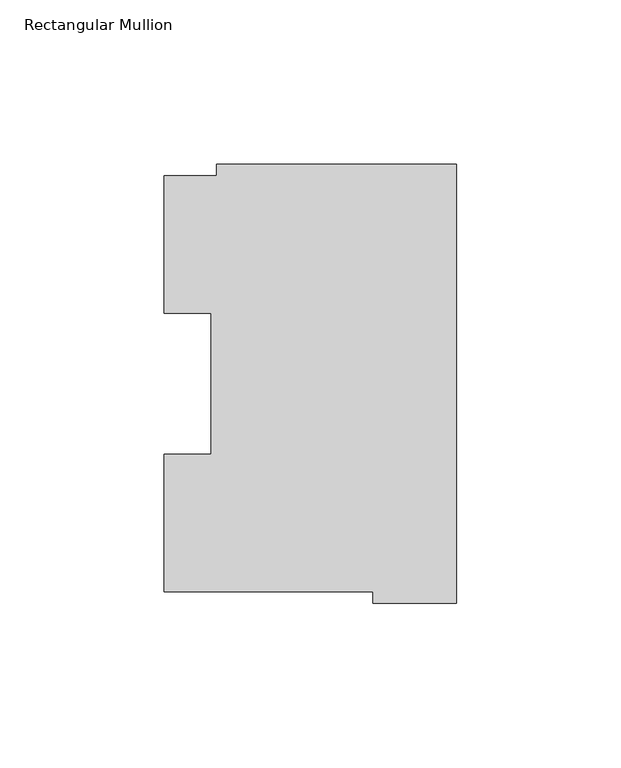
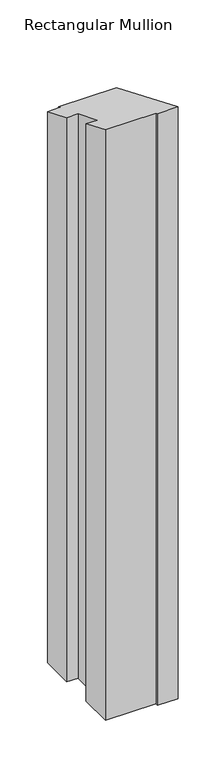
"""IFC4 building model written with IfcOpenShell, lengths in millimetres: member geometry, Rectangular Mullion."""

import ifcopenshell
import ifcopenshell.guid

model = None  # the IFC model being written
_history = None  # IfcOwnerHistory: only IFC2X3 demands one
_inside = {}  # id of a spatial element -> (the spatial element, [elements in it])
_under = {}  # id of a project, library or spatial element -> (it, [spatial elements below it])
_declared = {}  # id of a project -> (the project, [libraries it declares])
_typed = {}  # id of a type object -> (the type object, [elements of that type])
_made_of = {}  # id of a material, layer set ... -> (it, [elements and type objects made of it])


def new_model(schema):
    """Start an empty IFC model of exactly this schema.

    Asked for "IFC4X3", IfcOpenShell would pick the latest addendum, in which some entities
    have other attributes; the version numbers below select the first issue.
    IFC2X3 requires an IfcOwnerHistory on every rooted entity: one is made here for all.
    """
    global model, _history
    if schema == "IFC4X3":
        model = ifcopenshell.file(schema_version=(4, 3, 0, 0))
    else:
        model = ifcopenshell.file(schema=schema)
    _inside.clear()
    _under.clear()
    _declared.clear()
    _typed.clear()
    _made_of.clear()
    _history = None
    if model.schema == "IFC2X3":
        org = make("IfcOrganization", Name="unknown")
        user = make(
            "IfcPersonAndOrganization",
            ThePerson=make("IfcPerson", FamilyName="unknown"),
            TheOrganization=org,
        )
        app = make(
            "IfcApplication",
            ApplicationDeveloper=org,
            Version="unknown",
            ApplicationFullName="unknown",
            ApplicationIdentifier="unknown",
        )
        _history = make(
            "IfcOwnerHistory",
            OwningUser=user,
            OwningApplication=app,
            ChangeAction="ADDED",
            CreationDate=0,
        )
    return model


def make(cls, **values):
    """One entity of the class cls with the attributes given. An attribute that is None is left unset."""
    return model.create_entity(
        cls, **{name: value for name, value in values.items() if value is not None}
    )


def rooted(cls, **values):
    """An entity with a GlobalId (a new one), such as an element, a storey or a relation."""
    return make(cls, GlobalId=ifcopenshell.guid.new(), OwnerHistory=_history, **values)


def si_unit(unit_type, name, prefix=None):
    """IfcSIUnit, for example si_unit("LENGTHUNIT", "METRE", prefix="MILLI")."""
    return make("IfcSIUnit", UnitType=unit_type, Prefix=prefix, Name=name)


def assignment(units):
    """IfcUnitAssignment: the units of a project."""
    return None if units is None else make("IfcUnitAssignment", Units=units)


def point(xyz):
    """IfcCartesianPoint."""
    return None if xyz is None else make("IfcCartesianPoint", Coordinates=xyz)


def direction(xyz):
    """IfcDirection."""
    return None if xyz is None else make("IfcDirection", DirectionRatios=xyz)


def frame(location, z_axis=None, x_axis=None):
    """IfcAxis2Placement3D, a coordinate frame: its origin and axes. An axis left out is left unset."""
    return make(
        "IfcAxis2Placement3D",
        Location=point(location),
        Axis=direction(z_axis),
        RefDirection=direction(x_axis),
    )


def origin():
    """The frame at (0, 0, 0) with its axes left unset."""
    return frame((0.0, 0.0, 0.0))


def place(relative_to, where):
    """IfcLocalPlacement: puts the frame where relative to a parent placement (None: the world)."""
    return make(
        "IfcLocalPlacement", PlacementRelTo=relative_to, RelativePlacement=where
    )


def context(
    kind, dimensions, precision=None, world=None, true_north=None, identifier=None
):
    """IfcGeometricRepresentationContext, for example the 3D "Model" context."""
    return make(
        "IfcGeometricRepresentationContext",
        ContextIdentifier=identifier,
        ContextType=kind,
        CoordinateSpaceDimension=dimensions,
        Precision=precision,
        WorldCoordinateSystem=world,
        TrueNorth=true_north,
    )


def project(units=None, contexts=None):
    """IfcProject with its units and contexts."""
    return rooted(
        "IfcProject",
        Name="project",
        RepresentationContexts=contexts,
        UnitsInContext=assignment(units),
    )


def spatial(cls, under=None, at=None, **own):
    """A site, building, storey or space (cls), placed at a placement, below another one or the project."""
    s = rooted(cls, ObjectPlacement=at, **own)
    if under is not None:
        _under.setdefault(under.id(), (under, []))[1].append(s)
    return s


def faces_of(points, faces, orient=None, outer=None):
    """IfcFace entities. A face is a list of loops; a loop is a list of indices into points, from 0.

    orient and outer hold one flag for each loop. By default every Orientation is true, the
    first loop of a face is its IfcFaceOuterBound and the others are IfcFaceBound.
    """
    made = []
    for i, loops in enumerate(faces):
        bounds = []
        for j, loop in enumerate(loops):
            is_outer = j == 0 if outer is None else outer[i][j]
            bounds.append(
                make(
                    "IfcFaceOuterBound" if is_outer else "IfcFaceBound",
                    Bound=make("IfcPolyLoop", Polygon=[points[k] for k in loop]),
                    Orientation=True if orient is None else orient[i][j],
                )
            )
        made.append(make("IfcFace", Bounds=bounds))
    return made


def faceted_brep(points, faces, orient=None, outer=None, voids=None):
    """IfcFacetedBrep: a solid bounded by flat faces; with voids (closed shells), ...WithVoids."""
    shared = [point(p) for p in points]
    hull = make("IfcClosedShell", CfsFaces=faces_of(shared, faces, orient, outer))
    if voids is None:
        return make("IfcFacetedBrep", Outer=hull)
    return make(
        "IfcFacetedBrepWithVoids",
        Outer=hull,
        Voids=[
            make(cls, CfsFaces=faces_of(shared, fs, o, b)) for cls, fs, o, b in voids
        ],
    )


def shape(context_of_items, identifier, shape_type, items):
    """IfcShapeRepresentation: the items that make up one representation, for example the "Body"."""
    return make(
        "IfcShapeRepresentation",
        ContextOfItems=context_of_items,
        RepresentationIdentifier=identifier,
        RepresentationType=shape_type,
        Items=items,
    )


def source(mapping_origin, context_of_items, identifier, shape_type, items):
    """IfcRepresentationMap: a shape defined once, which mapped items show again and again."""
    return make(
        "IfcRepresentationMap",
        MappingOrigin=mapping_origin,
        MappedRepresentation=shape(context_of_items, identifier, shape_type, items),
    )


def transform(
    local_origin,
    x_axis=None,
    y_axis=None,
    z_axis=None,
    scale=None,
    scale2=None,
    scale3=None,
    uniform=True,
):
    """IfcCartesianTransformationOperator3D, or its non-uniform kind. x_axis, y_axis, z_axis: its Axis1, 2, 3."""
    if uniform:
        return make(
            "IfcCartesianTransformationOperator3D",
            Axis1=direction(x_axis),
            Axis2=direction(y_axis),
            LocalOrigin=point(local_origin),
            Scale=scale,
            Axis3=direction(z_axis),
        )
    return make(
        "IfcCartesianTransformationOperator3DnonUniform",
        Axis1=direction(x_axis),
        Axis2=direction(y_axis),
        LocalOrigin=point(local_origin),
        Scale=scale,
        Axis3=direction(z_axis),
        Scale2=scale2,
        Scale3=scale3,
    )


def mapped(mapping_source, mapping_target):
    """IfcMappedItem: shows the shape of a source again, moved by a transform."""
    return make(
        "IfcMappedItem", MappingSource=mapping_source, MappingTarget=mapping_target
    )


def made_of(thing, what):
    """Note that an element or type object is made of a material, layer set ...; save() writes the relation."""
    if what is not None:
        _made_of.setdefault(what.id(), (what, []))[1].append(thing)
    return thing


def element(
    cls,
    number,
    at=None,
    inside=None,
    cuts=None,
    type_object=None,
    material=None,
    context=None,
    identifier="Body",
    shape_type=None,
    held_by="IfcProductDefinitionShape",
    body=None,
    shapes=None,
    **own,
):
    """One element of the class cls, such as IfcWall. Its Tag is "e" and its number.

    at: its placement. inside: the storey or other place that contains it. cuts: it is an
    opening in that element (IfcRelVoidsElement). A single representation is given by context,
    identifier, shape_type and body (its items); several are given by shapes. held_by: the class
    of the entity that holds the representations. save() writes the other relations.
    """
    e = rooted(cls, Tag="e%d" % number, ObjectPlacement=at, **own)
    if body is not None:
        shapes = [shape(context, identifier, shape_type, body)]
    if shapes is not None:
        e.Representation = make(held_by, Representations=shapes)
    if inside is not None:
        _inside.setdefault(inside.id(), (inside, []))[1].append(e)
    if cuts is not None:
        rooted(
            "IfcRelVoidsElement", RelatingBuildingElement=cuts, RelatedOpeningElement=e
        )
    if type_object is not None:
        _typed.setdefault(type_object.id(), (type_object, []))[1].append(e)
    return made_of(e, material)


def aggregate(whole, parts):
    """IfcRelAggregates: a whole, such as a stair, and the parts it consists of."""
    return rooted("IfcRelAggregates", RelatingObject=whole, RelatedObjects=parts)


def save(model, path):
    """Write the relations noted so far, then the file.

    IfcRelAggregates (storeys below a building ...), IfcRelContainedInSpatialStructure (elements
    in a storey), IfcRelDefinesByType, IfcRelAssociatesMaterial and IfcRelDeclares: one each for
    every whole, place, type object, material and project.
    """
    for whole, parts in _under.values():
        aggregate(whole, parts)
    for where, things in _inside.values():
        rooted(
            "IfcRelContainedInSpatialStructure",
            RelatedElements=things,
            RelatingStructure=where,
        )
    for kind, things in _typed.values():
        rooted("IfcRelDefinesByType", RelatedObjects=things, RelatingType=kind)
    for what, things in _made_of.values():
        rooted("IfcRelAssociatesMaterial", RelatedObjects=things, RelatingMaterial=what)
    for by, libraries in _declared.values():
        rooted("IfcRelDeclares", RelatingContext=by, RelatedDefinitions=libraries)
    model.write(path)


def rectangular_mullion_3dd77f50(model_context):
    return source(origin(), model_context, "Body", "Brep", [
        faceted_brep([(-88.8772701, 126.75235, -784.3184633), (-73.025, 126.75235, -784.3184633), (-73.025, 130.1706837, -784.3184633), (0.0, 130.1706837, -784.3184633), (0.0, -3.193538, -784.3184633), (-25.3772701, -3.193538, -784.3184633), (-25.3772701, 0.26035, -784.3184633), (-88.8772701, 0.26035, -784.3184633), (-88.8772701, 42.0334858, -784.3184633), (-74.5947228, 42.0334858, -784.3184633), (-74.5947228, 84.93125, -784.3184633), (-88.8772701, 84.93125, -784.3184633), (-88.8772701, 84.93125, -35.1796756), (-88.8772701, 126.75235, -52.5025424), (-74.5947228, 84.93125, -35.1796756), (-74.5947228, 42.0334858, -17.4108399), (-88.8772701, 42.0334858, -17.4108399), (-88.8772701, 0.26035, -0.1078405), (-25.3772701, 0.26035, -0.1078405), (-25.3772701, -3.193538, 1.3228068), (0.0, -3.193538, 1.3228068), (0.0, 130.1706837, -53.9184626), (-73.025, 130.1706837, -53.9184626), (-73.025, 126.75235, -52.5025424)], [[[0, 1, 2, 3, 4, 5, 6, 7, 8, 9, 10, 11]], [[12, 13, 0, 11]], [[14, 12, 11, 10]], [[15, 14, 10, 9]], [[16, 15, 9, 8]], [[17, 16, 8, 7]], [[18, 17, 7, 6]], [[19, 18, 6, 5]], [[20, 19, 5, 4]], [[21, 20, 4, 3]], [[22, 21, 3, 2]], [[23, 22, 2, 1]], [[13, 23, 1, 0]], [[13, 12, 14, 15, 16, 17, 18, 19, 20, 21, 22, 23]]]),
    ])


if __name__ == "__main__":
    model = new_model("IFC4")
    model_context = context("Model", 3, world=origin())
    ifc_project = project(units=[si_unit("LENGTHUNIT", "METRE", prefix="MILLI")], contexts=[model_context])
    site = spatial("IfcSite", under=ifc_project)
    building = spatial("IfcBuilding", under=site)
    placement = place(None, origin())
    rectangular_mullion_shape = rectangular_mullion_3dd77f50(model_context)
    element("IfcMember", 1, ObjectType="Rectangular Mullion", at=placement, inside=building, context=model_context, shape_type="MappedRepresentation", body=[
        mapped(rectangular_mullion_shape, transform((0.0, 0.0, 0.0), x_axis=(1.0, 0.0, 0.0), y_axis=(0.0, 1.0, 0.0), z_axis=(0.0, 0.0, 1.0))),
    ])
    save(model, "model.ifc")
